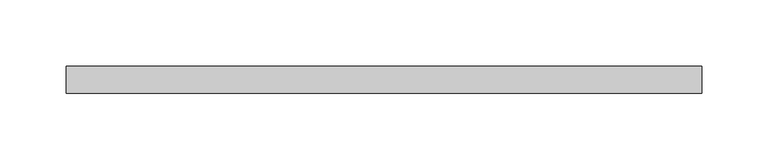
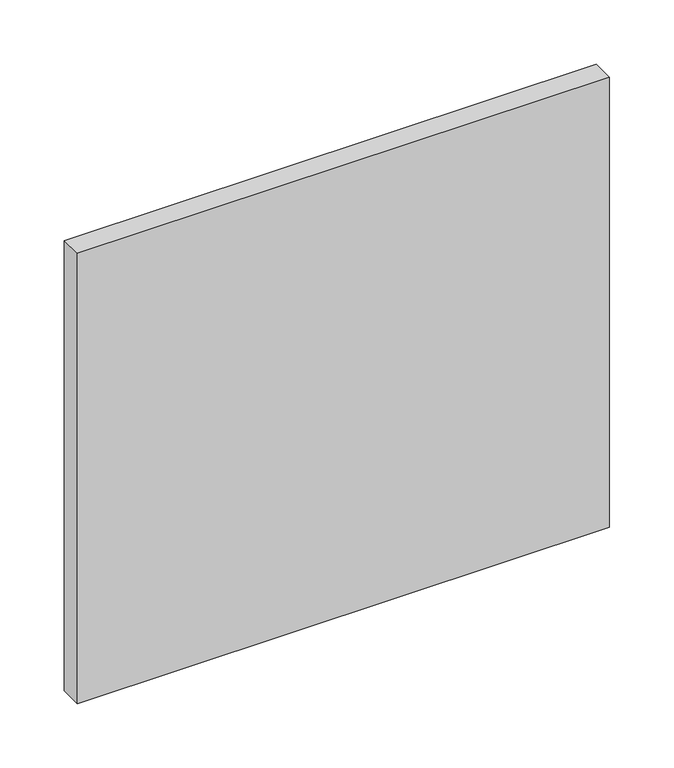
"""IFC4 building model written with IfcOpenShell, lengths in millimetres: plate geometry."""

from ifc_helpers import new_model, si_unit, origin, origin_with_axes, place, context, project, spatial, polyline, outline, extrude, source, transform, mapped, element, save


def plate_30cdb7f4(model_context):
    return source(origin(), model_context, "Body", "SweptSolid", [
        extrude(outline(polyline([(238.75, 70.0), (-238.75, 70.0), (-238.75, 90.0), (238.75, 90.0), (238.75, 70.0)])), origin_with_axes(), (0.0, 0.0, 1.0), 427.3076923),
    ])


if __name__ == "__main__":
    model = new_model("IFC4")
    model_context = context("Model", 3, world=origin())
    ifc_project = project(units=[si_unit("LENGTHUNIT", "METRE", prefix="MILLI")], contexts=[model_context])
    site = spatial("IfcSite", under=ifc_project)
    building = spatial("IfcBuilding", under=site)
    placement = place(None, origin())
    plate_shape = plate_30cdb7f4(model_context)
    element("IfcPlate", 1, at=placement, inside=building, context=model_context, shape_type="MappedRepresentation", body=[
        mapped(plate_shape, transform((0.0, 0.0, 0.0), x_axis=(1.0, 0.0, 0.0), y_axis=(0.0, 1.0, 0.0), z_axis=(0.0, 0.0, 1.0))),
    ])
    save(model, "model.ifc")
